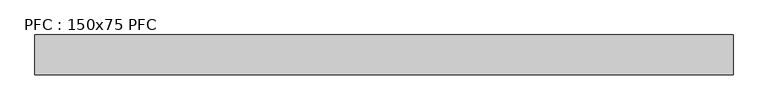
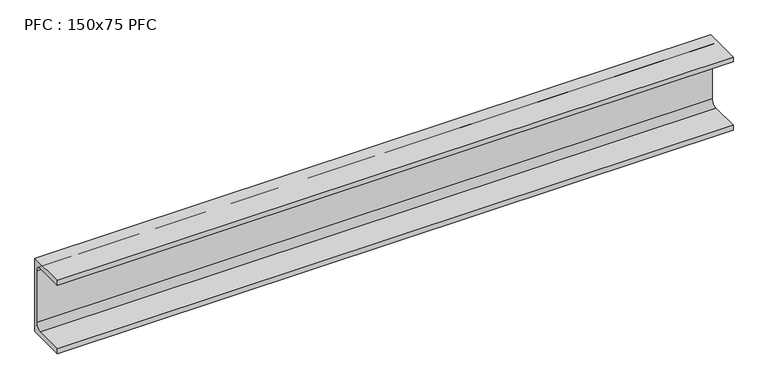
"""IFC4 building model written with IfcOpenShell, lengths in millimetres: beam geometry, PFC : 150x75 PFC."""

from ifc_helpers import new_model, si_unit, point, frame, frame_2d, origin, place, context, project, spatial, polyline, circle_curve, trimmed, segment, composite_curve, outline, extrude, source, transform, mapped, element, save


def pfc_150x75_pfc_81ae2f2b(model_context):
    return source(origin(), model_context, "Body", "SweptSolid", [
        extrude(outline(composite_curve([segment(polyline([(0.0, 150.0), (0.0, 0.0), (-75.0, 0.0), (-75.0, 10.0), (-17.5, 10.0)]), True, "CONTINUOUS"), segment(trimmed(circle_curve(frame_2d((-17.5, 22.0)), 12.0), [point((-17.5, 10.0))], [point((-5.5, 22.0))], True, "CARTESIAN"), True, "CONTINUOUS"), segment(polyline([(-5.5, 22.0), (-5.5, 128.0)]), True, "CONTINUOUS"), segment(trimmed(circle_curve(frame_2d((-17.5, 128.0)), 12.0), [point((-5.5, 128.0))], [point((-17.5, 140.0))], True, "CARTESIAN"), True, "CONTINUOUS"), segment(polyline([(-17.5, 140.0), (-75.0, 140.0), (-75.0, 150.0), (0.0, 150.0)]), True, "CONTINUOUS")], self_intersect=False)), frame((0.0, 0.0, 0.0), z_axis=(1.0, 0.0, 0.0), x_axis=(0.0, 1.0, 0.0)), (0.0, 0.0, 1.0), 1310.0),
    ])


if __name__ == "__main__":
    model = new_model("IFC4")
    model_context = context("Model", 3, world=origin())
    ifc_project = project(units=[si_unit("LENGTHUNIT", "METRE", prefix="MILLI")], contexts=[model_context])
    site = spatial("IfcSite", under=ifc_project)
    building = spatial("IfcBuilding", under=site)
    placement = place(None, origin())
    pfc_150x75_pfc_shape = pfc_150x75_pfc_81ae2f2b(model_context)
    element("IfcBeam", 1, ObjectType="PFC : 150x75 PFC", at=placement, inside=building, context=model_context, shape_type="MappedRepresentation", body=[
        mapped(pfc_150x75_pfc_shape, transform((0.0, 0.0, 0.0), x_axis=(1.0, 0.0, 0.0), y_axis=(0.0, 1.0, 0.0), z_axis=(0.0, 0.0, 1.0))),
    ])
    save(model, "model.ifc")
